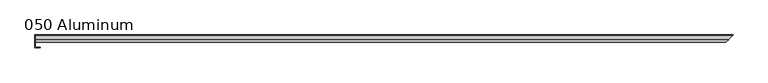
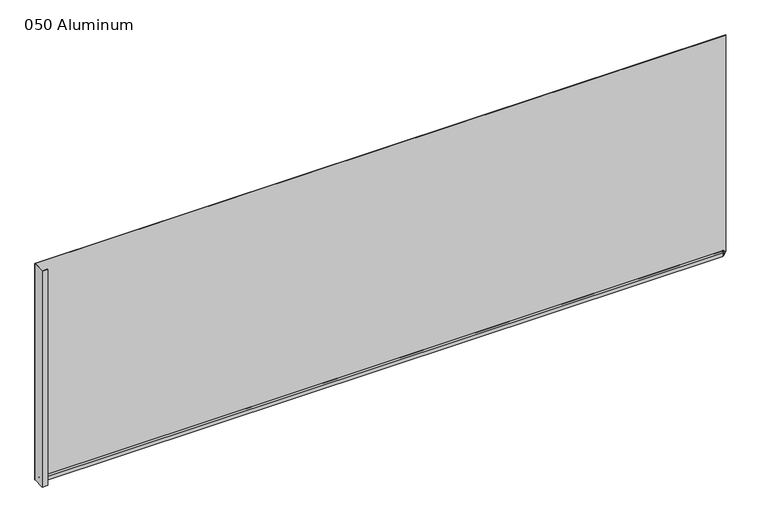
"""IFC4 building model written with IfcOpenShell, lengths in millimetres: plate geometry, 050 Aluminum."""

from ifc_helpers import new_model, si_unit, frame, origin, origin_with_axes, place, context, project, spatial, polyline, circle_curve, ellipse_curve, outline, extrude, source, transform, mapped, element, save
from ifc_brep_helpers import plane_surface, cylinder_surface, revolved_surface, advanced_brep


def plate_050_aluminum_f3f13fbe(model_context):
    return source(origin(), model_context, "Body", "SolidModel", [
        extrude(outline(polyline([(-919.48, 2.5660257), (-906.5894994, 2.5660257), (-906.5894994, 1.2699999), (-920.7499999, 1.2699999), (-920.7499999, 34.7980001), (-919.48, 34.7980001), (-919.48, 2.5660257)])), origin_with_axes(), (0.0, 0.0, 1.0), 621.03),
        advanced_brep(
        [(-919.48, 16.6765477, 13.1458337), (-919.48, 23.0264743, 13.124237), (-919.48, 23.0264743, 1.2693678), (-919.48, 34.7980002, 1.2693678), (-919.48, 34.7980002, 0.0), (-919.48, 21.7564743, 0.0), (-919.48, 21.7564743, 13.124237), (-919.48, 17.9464915, 13.1323356), (-919.48, 17.9464915, 2.786437), (-919.48, 16.6765477, 2.786437), (937.4265477, 16.6765477, 2.786437), (937.4265477, 16.6765477, 13.1458337), (938.6964915, 17.9464915, 2.786437), (938.6964915, 17.9464915, 13.1323356), (942.5064743, 21.7564743, 13.124237), (942.5064743, 21.7564743, 0.0), (955.548, 34.7980002, 0.0), (955.548, 34.7980002, 1.2693678), (943.7764743, 23.0264743, 1.2693678), (943.7764743, 23.0264743, 13.124237)],
        [
            (0, 1, circle_curve(frame((-919.48, 19.8514743, 13.124237), z_axis=(-1.0, 0.0, 0.0), x_axis=(0.0, 0.0, -1.0)), 3.175)),
            (1, 2),
            (2, 3),
            (3, 4),
            (4, 5),
            (5, 6),
            (6, 7, circle_curve(frame((-919.48, 19.8514743, 13.124237), z_axis=(1.0, 0.0, 0.0), x_axis=(0.0, 0.0, -1.0)), 1.905)),
            (7, 8),
            (8, 9),
            (9, 0),
            (9, 10),
            (10, 11),
            (11, 0),
            (8, 12),
            (12, 10),
            (7, 13),
            (13, 12),
            (6, 14),
            (14, 13, ellipse_curve(frame((940.6014743, 19.8514743, 13.124237), z_axis=(0.7071067811865489, -0.7071067811865462, 0.0), x_axis=(0.707106781186546, 0.7071067811865489, 0.0)), 2.6940768, 1.905)),
            (5, 15),
            (15, 14),
            (4, 16),
            (16, 15),
            (3, 17),
            (17, 16),
            (2, 18),
            (18, 17),
            (1, 19),
            (19, 18),
            (11, 19, ellipse_curve(frame((940.6014743, 19.8514743, 13.124237), z_axis=(-0.7071067811865489, 0.7071067811865462, 0.0), x_axis=(-0.707106781186546, -0.7071067811865489, 0.0)), 4.4901281, 3.175)),
        ],
        [
            plane_surface(frame((-919.48, 36.068, 0.0), z_axis=(-1.0, 0.0, 0.0), x_axis=(0.0, 0.0, 1.0))),
            plane_surface(frame((-919.48, 16.6765477, 13.1458337), z_axis=(0.0, -1.0, 0.0), x_axis=(1.0, 0.0, 0.0))),
            plane_surface(frame((-919.48, 16.6765477, 2.786437), z_axis=(0.0, 0.0, -1.0), x_axis=(1.0, 0.0, 0.0))),
            plane_surface(frame((-919.48, 17.9464915, 2.786437), z_axis=(0.0, 1.0, 0.0), x_axis=(1.0, 0.0, 0.0))),
            revolved_surface(polyline([(942.5064743, 19.8514743, 11.219237000000001), (-919.48, 19.8514743, 11.219237000000001)]), (-919.48, 19.8514743, 13.124237), (1.0, 0.0, 0.0)),
            plane_surface(frame((-919.48, 21.7564743, 13.124237), z_axis=(0.0, -1.0, 0.0), x_axis=(1.0, 0.0, 0.0))),
            plane_surface(frame((-919.48, 21.7564743, 0.0), z_axis=(0.0, 0.0, -1.0), x_axis=(1.0, 0.0, 0.0))),
            plane_surface(frame((-919.48, 34.7980002, 0.0), z_axis=(0.0, 1.0, 0.0), x_axis=(1.0, 0.0, 0.0))),
            plane_surface(frame((-919.48, 34.7980002, 1.2693678), z_axis=(0.0, 0.0, 1.0), x_axis=(1.0, 0.0, 0.0))),
            plane_surface(frame((-919.48, 23.0264743, 1.2693678), z_axis=(0.0, 1.0, 0.0), x_axis=(1.0, 0.0, 0.0))),
            cylinder_surface(frame((-919.48, 19.8514743, 13.124237), z_axis=(-1.0, 0.0, 0.0), x_axis=(0.0, 0.0, -1.0)), 3.175),
            plane_surface(frame((920.75, 0.0, 795.4549971), z_axis=(0.7071067811865489, -0.7071067811865462, 0.0), x_axis=(0.0, 0.0, -1.0))),
        ],
        [
            (0, [[1, 2, 3, 4, 5, 6, 7, 8, 9, 10]]),
            (1, [[11, 12, 13, -10]]),
            (2, [[14, 15, -11, -9]]),
            (3, [[16, 17, -14, -8]]),
            (4, [[18, 19, -16, -7]]),
            (5, [[20, 21, -18, -6]]),
            (6, [[22, 23, -20, -5]]),
            (7, [[24, 25, -22, -4]]),
            (8, [[26, 27, -24, -3]]),
            (9, [[28, 29, -26, -2]]),
            (10, [[-13, 30, -28, -1]]),
            (11, [[-15, -17, -19, -21, -23, -25, -27, -29, -30, -12]]),
        ],
    ),
        extrude(outline(polyline([(-920.75, 36.068), (956.818, 36.068), (955.5480001, 34.7980001), (-920.75, 34.7980001), (-920.75, 36.068)])), origin_with_axes(), (0.0, 0.0, 1.0), 622.3),
    ])


if __name__ == "__main__":
    model = new_model("IFC4")
    model_context = context("Model", 3, world=origin())
    ifc_project = project(units=[si_unit("LENGTHUNIT", "METRE", prefix="MILLI")], contexts=[model_context])
    site = spatial("IfcSite", under=ifc_project)
    building = spatial("IfcBuilding", under=site)
    placement = place(None, origin())
    plate_050_aluminum_shape = plate_050_aluminum_f3f13fbe(model_context)
    element("IfcPlate", 1, ObjectType="050 Aluminum", at=placement, inside=building, context=model_context, shape_type="MappedRepresentation", body=[
        mapped(plate_050_aluminum_shape, transform((0.0, 0.0, 0.0), x_axis=(1.0, 0.0, 0.0), y_axis=(0.0, 1.0, 0.0), z_axis=(0.0, 0.0, 1.0))),
    ])
    save(model, "model.ifc")
